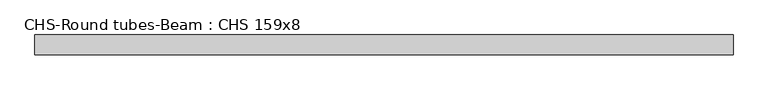
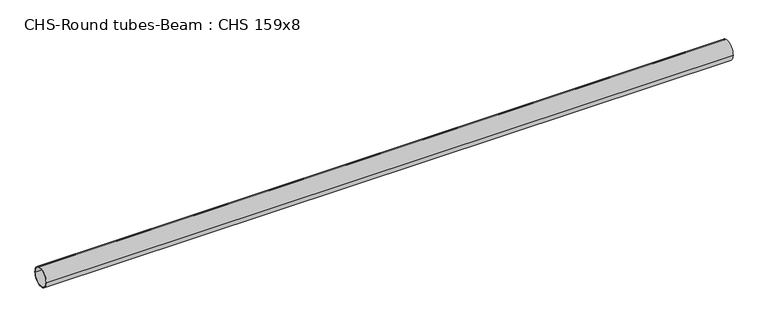
"""IFC4 building model written with IfcOpenShell, lengths in millimetres: beam geometry, CHS-Round tubes-Beam : CHS 159x8."""

from ifc_helpers import new_model, si_unit, point, frame, origin, origin_2d, place, context, project, spatial, circle_curve, trimmed, segment, composite_curve, outline, extrude, source, transform, mapped, element, save


def chs_round_tubes_beam_chs_159x8_1c09b8ed(model_context):
    return source(origin(), model_context, "Body", "SweptSolid", [
        extrude(outline(composite_curve([segment(trimmed(circle_curve(origin_2d(), 79.5), [point((79.5, 0.0))], [point((-79.5, 0.0))], False, "CARTESIAN"), True, "CONTINUOUS"), segment(trimmed(circle_curve(origin_2d(), 79.5), [point((-79.5, 0.0))], [point((79.5, 0.0))], False, "CARTESIAN"), True, "CONTINUOUS")], self_intersect=False), holes=[composite_curve([segment(trimmed(circle_curve(origin_2d(), 71.5), [point((71.5, 0.0))], [point((-71.5, 0.0))], True, "CARTESIAN"), True, "CONTINUOUS"), segment(trimmed(circle_curve(origin_2d(), 71.5), [point((-71.5, 0.0))], [point((71.5, 0.0))], True, "CARTESIAN"), True, "CONTINUOUS")], self_intersect=False)]), frame((-2814.992078, 0.0, 0.0), z_axis=(1.0, 0.0, 0.0), x_axis=(0.0, 1.0, 0.0)), (0.0, 0.0, 1.0), 5623.9791153),
    ])


if __name__ == "__main__":
    model = new_model("IFC4")
    model_context = context("Model", 3, world=origin())
    ifc_project = project(units=[si_unit("LENGTHUNIT", "METRE", prefix="MILLI")], contexts=[model_context])
    site = spatial("IfcSite", under=ifc_project)
    building = spatial("IfcBuilding", under=site)
    placement = place(None, origin())
    chs_round_tubes_beam_chs_159x8_shape = chs_round_tubes_beam_chs_159x8_1c09b8ed(model_context)
    element("IfcBeam", 1, ObjectType="CHS-Round tubes-Beam : CHS 159x8", at=placement, inside=building, context=model_context, shape_type="MappedRepresentation", body=[
        mapped(chs_round_tubes_beam_chs_159x8_shape, transform((0.0, 0.0, 0.0), x_axis=(1.0, 0.0, 0.0), y_axis=(0.0, 1.0, 0.0), z_axis=(0.0, 0.0, 1.0))),
    ])
    save(model, "model.ifc")
